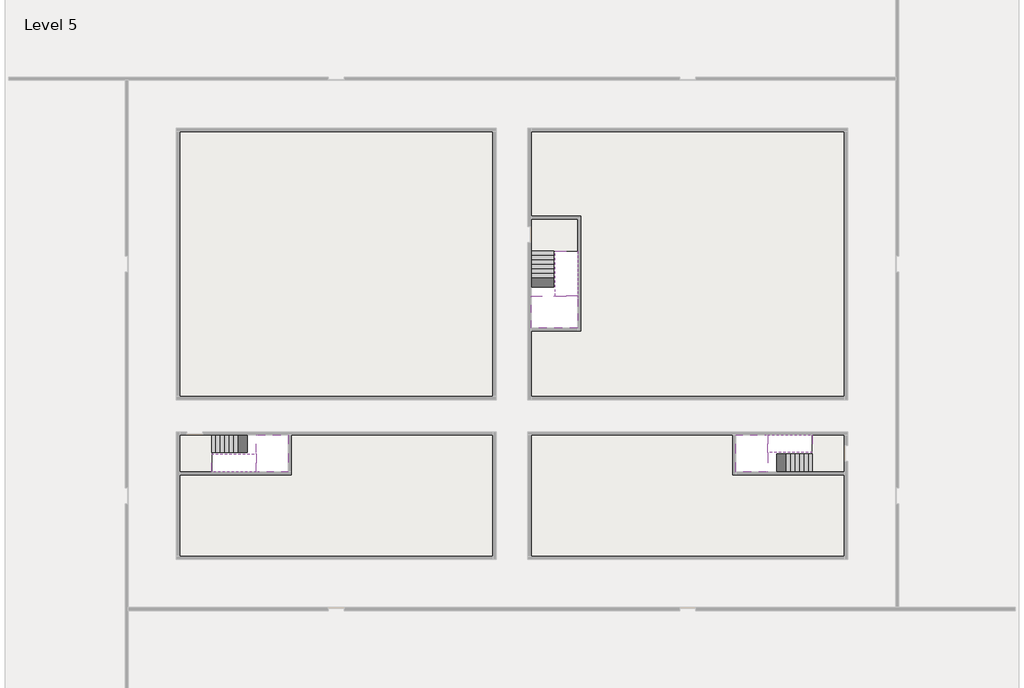
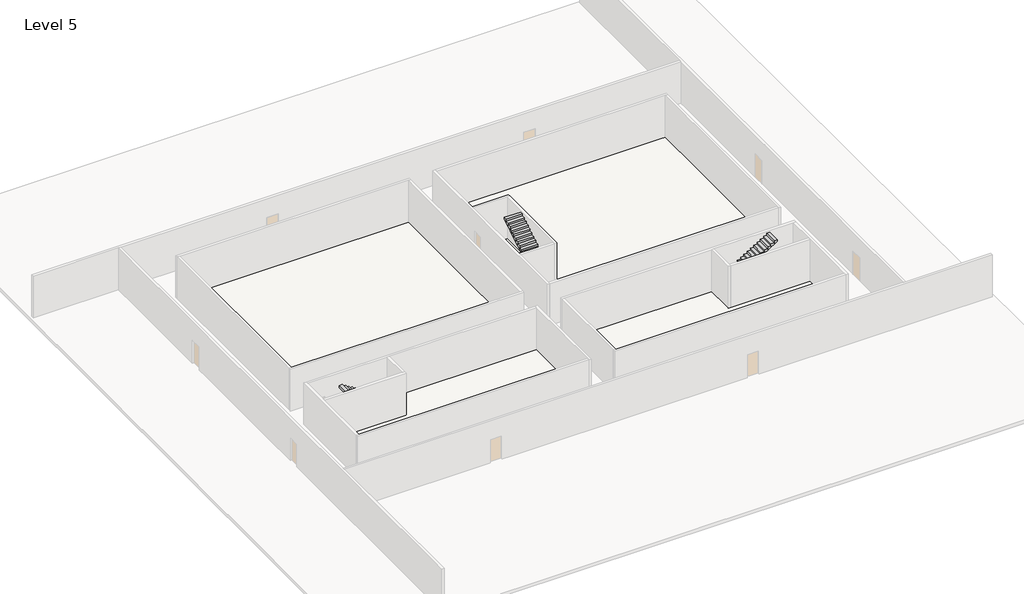
# One storey, part 2 of 2: 6 stair flights, 5 slabs.
"""IFC4 building model written with IfcOpenShell, lengths in millimetres."""

import ifcopenshell
import ifcopenshell.guid

model = None  # the IFC model being written
_history = None  # IfcOwnerHistory: only IFC2X3 demands one
_inside = {}  # id of a spatial element -> (the spatial element, [elements in it])
_under = {}  # id of a project, library or spatial element -> (it, [spatial elements below it])
_declared = {}  # id of a project -> (the project, [libraries it declares])
_typed = {}  # id of a type object -> (the type object, [elements of that type])
_made_of = {}  # id of a material, layer set ... -> (it, [elements and type objects made of it])


def new_model(schema):
    """Start an empty IFC model of exactly this schema.

    Asked for "IFC4X3", IfcOpenShell would pick the latest addendum, in which some entities
    have other attributes; the version numbers below select the first issue.
    IFC2X3 requires an IfcOwnerHistory on every rooted entity: one is made here for all.
    """
    global model, _history
    if schema == "IFC4X3":
        model = ifcopenshell.file(schema_version=(4, 3, 0, 0))
    else:
        model = ifcopenshell.file(schema=schema)
    _inside.clear()
    _under.clear()
    _declared.clear()
    _typed.clear()
    _made_of.clear()
    _history = None
    if model.schema == "IFC2X3":
        org = make("IfcOrganization", Name="unknown")
        user = make(
            "IfcPersonAndOrganization",
            ThePerson=make("IfcPerson", FamilyName="unknown"),
            TheOrganization=org,
        )
        app = make(
            "IfcApplication",
            ApplicationDeveloper=org,
            Version="unknown",
            ApplicationFullName="unknown",
            ApplicationIdentifier="unknown",
        )
        _history = make(
            "IfcOwnerHistory",
            OwningUser=user,
            OwningApplication=app,
            ChangeAction="ADDED",
            CreationDate=0,
        )
    return model


def make(cls, **values):
    """One entity of the class cls with the attributes given. An attribute that is None is left unset."""
    return model.create_entity(
        cls, **{name: value for name, value in values.items() if value is not None}
    )


def rooted(cls, **values):
    """An entity with a GlobalId (a new one), such as an element, a storey or a relation."""
    return make(cls, GlobalId=ifcopenshell.guid.new(), OwnerHistory=_history, **values)


def si_unit(unit_type, name, prefix=None):
    """IfcSIUnit, for example si_unit("LENGTHUNIT", "METRE", prefix="MILLI")."""
    return make("IfcSIUnit", UnitType=unit_type, Prefix=prefix, Name=name)


def assignment(units):
    """IfcUnitAssignment: the units of a project."""
    return None if units is None else make("IfcUnitAssignment", Units=units)


def point(xyz):
    """IfcCartesianPoint."""
    return None if xyz is None else make("IfcCartesianPoint", Coordinates=xyz)


def direction(xyz):
    """IfcDirection."""
    return None if xyz is None else make("IfcDirection", DirectionRatios=xyz)


def frame(location, z_axis=None, x_axis=None):
    """IfcAxis2Placement3D, a coordinate frame: its origin and axes. An axis left out is left unset."""
    return make(
        "IfcAxis2Placement3D",
        Location=point(location),
        Axis=direction(z_axis),
        RefDirection=direction(x_axis),
    )


def origin():
    """The frame at (0, 0, 0) with its axes left unset."""
    return frame((0.0, 0.0, 0.0))


def place(relative_to, where):
    """IfcLocalPlacement: puts the frame where relative to a parent placement (None: the world)."""
    return make(
        "IfcLocalPlacement", PlacementRelTo=relative_to, RelativePlacement=where
    )


def context(
    kind, dimensions, precision=None, world=None, true_north=None, identifier=None
):
    """IfcGeometricRepresentationContext, for example the 3D "Model" context."""
    return make(
        "IfcGeometricRepresentationContext",
        ContextIdentifier=identifier,
        ContextType=kind,
        CoordinateSpaceDimension=dimensions,
        Precision=precision,
        WorldCoordinateSystem=world,
        TrueNorth=true_north,
    )


def project(units=None, contexts=None):
    """IfcProject with its units and contexts."""
    return rooted(
        "IfcProject",
        Name="project",
        RepresentationContexts=contexts,
        UnitsInContext=assignment(units),
    )


def spatial(cls, under=None, at=None, **own):
    """A site, building, storey or space (cls), placed at a placement, below another one or the project."""
    s = rooted(cls, ObjectPlacement=at, **own)
    if under is not None:
        _under.setdefault(under.id(), (under, []))[1].append(s)
    return s


def polyline(points):
    """IfcPolyline through the points."""
    return make("IfcPolyline", Points=[point(p) for p in points])


def outline(outer, holes=None, kind="AREA"):
    """IfcArbitraryClosedProfileDef: a profile drawn as a closed curve; with holes, ...WithVoids."""
    if holes is None:
        return make("IfcArbitraryClosedProfileDef", ProfileType=kind, OuterCurve=outer)
    return make(
        "IfcArbitraryProfileDefWithVoids",
        ProfileType=kind,
        OuterCurve=outer,
        InnerCurves=holes,
    )


def extrude(swept, where, along, depth):
    """IfcExtrudedAreaSolid: the profile swept, set in the frame where, extruded along a direction by depth."""
    return make(
        "IfcExtrudedAreaSolid",
        SweptArea=swept,
        Position=where,
        ExtrudedDirection=direction(along),
        Depth=depth,
    )


def faces_of(points, faces, orient=None, outer=None):
    """IfcFace entities. A face is a list of loops; a loop is a list of indices into points, from 0.

    orient and outer hold one flag for each loop. By default every Orientation is true, the
    first loop of a face is its IfcFaceOuterBound and the others are IfcFaceBound.
    """
    made = []
    for i, loops in enumerate(faces):
        bounds = []
        for j, loop in enumerate(loops):
            is_outer = j == 0 if outer is None else outer[i][j]
            bounds.append(
                make(
                    "IfcFaceOuterBound" if is_outer else "IfcFaceBound",
                    Bound=make("IfcPolyLoop", Polygon=[points[k] for k in loop]),
                    Orientation=True if orient is None else orient[i][j],
                )
            )
        made.append(make("IfcFace", Bounds=bounds))
    return made


def faceted_brep(points, faces, orient=None, outer=None, voids=None):
    """IfcFacetedBrep: a solid bounded by flat faces; with voids (closed shells), ...WithVoids."""
    shared = [point(p) for p in points]
    hull = make("IfcClosedShell", CfsFaces=faces_of(shared, faces, orient, outer))
    if voids is None:
        return make("IfcFacetedBrep", Outer=hull)
    return make(
        "IfcFacetedBrepWithVoids",
        Outer=hull,
        Voids=[
            make(cls, CfsFaces=faces_of(shared, fs, o, b)) for cls, fs, o, b in voids
        ],
    )


def shape(context_of_items, identifier, shape_type, items):
    """IfcShapeRepresentation: the items that make up one representation, for example the "Body"."""
    return make(
        "IfcShapeRepresentation",
        ContextOfItems=context_of_items,
        RepresentationIdentifier=identifier,
        RepresentationType=shape_type,
        Items=items,
    )


def made_of(thing, what):
    """Note that an element or type object is made of a material, layer set ...; save() writes the relation."""
    if what is not None:
        _made_of.setdefault(what.id(), (what, []))[1].append(thing)
    return thing


def element(
    cls,
    number,
    at=None,
    inside=None,
    cuts=None,
    type_object=None,
    material=None,
    context=None,
    identifier="Body",
    shape_type=None,
    held_by="IfcProductDefinitionShape",
    body=None,
    shapes=None,
    **own,
):
    """One element of the class cls, such as IfcWall. Its Tag is "e" and its number.

    at: its placement. inside: the storey or other place that contains it. cuts: it is an
    opening in that element (IfcRelVoidsElement). A single representation is given by context,
    identifier, shape_type and body (its items); several are given by shapes. held_by: the class
    of the entity that holds the representations. save() writes the other relations.
    """
    e = rooted(cls, Tag="e%d" % number, ObjectPlacement=at, **own)
    if body is not None:
        shapes = [shape(context, identifier, shape_type, body)]
    if shapes is not None:
        e.Representation = make(held_by, Representations=shapes)
    if inside is not None:
        _inside.setdefault(inside.id(), (inside, []))[1].append(e)
    if cuts is not None:
        rooted(
            "IfcRelVoidsElement", RelatingBuildingElement=cuts, RelatedOpeningElement=e
        )
    if type_object is not None:
        _typed.setdefault(type_object.id(), (type_object, []))[1].append(e)
    return made_of(e, material)


def aggregate(whole, parts):
    """IfcRelAggregates: a whole, such as a stair, and the parts it consists of."""
    return rooted("IfcRelAggregates", RelatingObject=whole, RelatedObjects=parts)


def save(model, path):
    """Write the relations noted so far, then the file.

    IfcRelAggregates (storeys below a building ...), IfcRelContainedInSpatialStructure (elements
    in a storey), IfcRelDefinesByType, IfcRelAssociatesMaterial and IfcRelDeclares: one each for
    every whole, place, type object, material and project.
    """
    for whole, parts in _under.values():
        aggregate(whole, parts)
    for where, things in _inside.values():
        rooted(
            "IfcRelContainedInSpatialStructure",
            RelatedElements=things,
            RelatingStructure=where,
        )
    for kind, things in _typed.values():
        rooted("IfcRelDefinesByType", RelatedObjects=things, RelatingType=kind)
    for what, things in _made_of.values():
        rooted("IfcRelAssociatesMaterial", RelatedObjects=things, RelatingMaterial=what)
    for by, libraries in _declared.values():
        rooted("IfcRelDeclares", RelatingContext=by, RelatedDefinitions=libraries)
    model.write(path)


model = new_model("IFC4")

# Units and contexts
model_context = context("Model", 3, world=origin())
ifc_project = project(units=[si_unit("LENGTHUNIT", "METRE", prefix="MILLI")], contexts=[model_context])

# Site, building, storey
site = spatial("IfcSite", under=ifc_project)
building = spatial("IfcBuilding", under=site)
storey = spatial("IfcBuildingStorey", under=building, Name="Level 5", Elevation=15200.0)

# Slabs
placement = place(None, origin())
element("IfcSlab", 1, at=placement, inside=storey, context=model_context, shape_type="Brep", body=[
    faceted_brep([(8190.1058784, -42918.09644, 17100.0), (8190.1058784, -44018.09644, 17100.0), (8190.1058784, -44118.09644, 17100.0), (8190.1058784, -45218.09644, 17100.0), (8390.7194421, -45218.09644, 17100.0), (10190.1058784, -45218.09644, 17100.0), (10190.1058784, -42918.09644, 17100.0), (8269.4923146, -42918.09644, 17100.0), (8190.1058784, -42918.09644, 16927.2727273), (8190.1058784, -42918.09644, 16751.0278478), (8190.1058784, -44018.09644, 16751.0278478), (8190.1058784, -44018.09644, 16800.0), (8190.1058784, -44118.09644, 16800.0), (8190.1058784, -44118.09644, 16923.7551205), (8190.1058784, -45218.09644, 16923.7551205), (8390.7194421, -45218.09644, 16800.0), (10190.1058784, -45218.09644, 16800.0), (10190.1058784, -42918.09644, 16800.0), (8269.4923146, -42918.09644, 16800.0), (8390.7194421, -44118.09644, 16800.0), (8269.4923146, -44018.09644, 16800.0)], [[[0, 1, 2, 3, 4, 5, 6, 7]], [[1, 0, 8, 9, 10, 11]], [[2, 1, 11, 12, 13]], [[3, 2, 13, 14]], [[3, 14, 15, 16, 5, 4]], [[6, 5, 16, 17]], [[9, 8, 0, 7, 6, 17, 18]], [[19, 12, 11, 20, 18, 17, 16, 15]], [[12, 19, 13]], [[18, 20, 10, 9]], [[20, 11, 10]], [[19, 15, 14, 13]]]),
])
element("IfcSlab", 2, at=placement, inside=storey, context=model_context, shape_type="Brep", body=[
    faceted_brep([(40190.1058784, -45218.09644, 17100.0), (40190.1058784, -44118.09644, 17100.0), (40190.1058784, -44018.09644, 17100.0), (40190.1058784, -42918.09644, 17100.0), (39989.4923146, -42918.09644, 17100.0), (38190.1058784, -42918.09644, 17100.0), (38190.1058784, -45218.09644, 17100.0), (40110.7194421, -45218.09644, 17100.0), (40190.1058784, -45218.09644, 16927.2727273), (40190.1058784, -45218.09644, 16751.0278478), (40190.1058784, -44118.09644, 16751.0278478), (40190.1058784, -44118.09644, 16800.0), (40190.1058784, -44018.09644, 16800.0), (40190.1058784, -44018.09644, 16923.7551205), (40190.1058784, -42918.09644, 16923.7551205), (39989.4923146, -42918.09644, 16800.0), (38190.1058784, -42918.09644, 16800.0), (38190.1058784, -45218.09644, 16800.0), (40110.7194421, -45218.09644, 16800.0), (39989.4923146, -44018.09644, 16800.0), (40110.7194421, -44118.09644, 16800.0)], [[[0, 1, 2, 3, 4, 5, 6, 7]], [[1, 0, 8, 9, 10, 11]], [[2, 1, 11, 12, 13]], [[3, 2, 13, 14]], [[3, 14, 15, 16, 5, 4]], [[6, 5, 16, 17]], [[9, 8, 0, 7, 6, 17, 18]], [[19, 12, 11, 20, 18, 17, 16, 15]], [[12, 19, 13]], [[18, 20, 10, 9]], [[20, 11, 10]], [[19, 15, 14, 13]]]),
])
element("IfcSlab", 3, at=placement, inside=storey, context=model_context, shape_type="Brep", body=[
    faceted_brep([(26790.1058784, -34218.09644, 17100.0), (25390.1058784, -34218.09644, 17100.0), (25390.1058784, -34297.4828763, 17100.0), (25390.1058784, -36218.09644, 17100.0), (28290.1058784, -36218.09644, 17100.0), (28290.1058784, -34418.7100038, 17100.0), (28290.1058784, -34218.09644, 17100.0), (26890.1058784, -34218.09644, 17100.0), (26790.1058784, -34218.09644, 16800.0), (26790.1058784, -34218.09644, 16751.0278478), (25390.1058784, -34218.09644, 16751.0278478), (25390.1058784, -34218.09644, 16927.2727273), (25390.1058784, -34297.4828763, 16800.0), (25390.1058784, -36218.09644, 16800.0), (28290.1058784, -36218.09644, 16800.0), (28290.1058784, -34418.7100038, 16800.0), (28290.1058784, -34218.09644, 16923.7551205), (26890.1058784, -34218.09644, 16923.7551205), (26890.1058784, -34218.09644, 16800.0), (26890.1058784, -34418.7100038, 16800.0), (26790.1058784, -34297.4828763, 16800.0)], [[[0, 1, 2, 3, 4, 5, 6, 7]], [[1, 0, 8, 9, 10, 11]], [[1, 11, 10, 12, 13, 3, 2]], [[4, 3, 13, 14]], [[4, 14, 15, 16, 6, 5]], [[7, 6, 16, 17]], [[0, 7, 17, 18, 8]], [[18, 19, 15, 14, 13, 12, 20, 8]], [[19, 18, 17]], [[20, 12, 10, 9]], [[8, 20, 9]], [[15, 19, 17, 16]]]),
])
element("IfcSlab", 4, at=placement, inside=storey, context=model_context, shape_type="SweptSolid", body=[
    extrude(outline(polyline([(22990.1058784, -23918.09644), (22990.1058784, -40518.09644), (3390.1058784, -40518.09644), (3390.1058784, -23918.09644), (22990.1058784, -23918.09644)])), frame((0.0, 0.0, 14900.0), z_axis=(0.0, 0.0, 1.0), x_axis=(1.0, 0.0, 0.0)), (0.0, 0.0, 1.0), 300.0),
    extrude(outline(polyline([(44990.1058784, -23918.09644), (44990.1058784, -40518.09644), (25390.1058784, -40518.09644), (25390.1058784, -36418.09644), (28490.1058784, -36418.09644), (28490.1058784, -29218.09644), (25390.1058784, -29218.09644), (25390.1058784, -23918.09644), (44990.1058784, -23918.09644)])), frame((0.0, 0.0, 14900.0), z_axis=(0.0, 0.0, 1.0), x_axis=(1.0, 0.0, 0.0)), (0.0, 0.0, 1.0), 300.0),
    extrude(outline(polyline([(22990.1058784, -42918.09644), (22990.1058784, -50518.09644), (3390.1058784, -50518.09644), (3390.1058784, -45418.09644), (10390.1058784, -45418.09644), (10390.1058784, -42918.09644), (22990.1058784, -42918.09644)])), frame((0.0, 0.0, 14900.0), z_axis=(0.0, 0.0, 1.0), x_axis=(1.0, 0.0, 0.0)), (0.0, 0.0, 1.0), 300.0),
    extrude(outline(polyline([(37990.1058784, -42918.09644), (37990.1058784, -45418.09644), (44990.1058784, -45418.09644), (44990.1058784, -50518.09644), (25390.1058784, -50518.09644), (25390.1058784, -42918.09644), (37990.1058784, -42918.09644)])), frame((0.0, 0.0, 14900.0), z_axis=(0.0, 0.0, 1.0), x_axis=(1.0, 0.0, 0.0)), (0.0, 0.0, 1.0), 300.0),
])
element("IfcSlab", 5, at=placement, inside=storey, context=model_context, shape_type="SweptSolid", body=[
    extrude(outline(polyline([(44990.1058784, -42918.09644), (44990.1058784, -45218.09644), (42990.1058784, -45218.09644), (42990.1058784, -42918.09644), (44990.1058784, -42918.09644)])), frame((0.0, 0.0, 14900.0), z_axis=(0.0, 0.0, 1.0), x_axis=(1.0, 0.0, 0.0)), (0.0, 0.0, 1.0), 300.0),
    extrude(outline(polyline([(5390.1058784, -42918.09644), (5390.1058784, -45218.09644), (3390.1058784, -45218.09644), (3390.1058784, -42918.09644), (5390.1058784, -42918.09644)])), frame((0.0, 0.0, 14900.0), z_axis=(0.0, 0.0, 1.0), x_axis=(1.0, 0.0, 0.0)), (0.0, 0.0, 1.0), 300.0),
    extrude(outline(polyline([(28290.1058784, -29418.09644), (28290.1058784, -31418.09644), (25390.1058784, -31418.09644), (25390.1058784, -29418.09644), (28290.1058784, -29418.09644)])), frame((0.0, 0.0, 14900.0), z_axis=(0.0, 0.0, 1.0), x_axis=(1.0, 0.0, 0.0)), (0.0, 0.0, 1.0), 300.0),
])

# Stair flights
element("IfcStairFlight", 6, at=placement, inside=storey, context=model_context, shape_type="Brep", body=[
    faceted_brep([(5670.1058784, -42918.09644, 15372.7272727), (5390.1058784, -42918.09644, 15372.7272727), (5390.1058784, -44018.09644, 15372.7272727), (5670.1058784, -44018.09644, 15372.7272727), (5670.1058784, -42918.09644, 15200.0), (5390.1058784, -42918.09644, 15200.0), (5390.1058784, -44018.09644, 15200.0), (5670.1058784, -44018.09644, 15200.0), (5950.1058784, -42918.09644, 15545.4545455), (5670.1058784, -42918.09644, 15545.4545455), (5670.1058784, -44018.09644, 15545.4545455), (5950.1058784, -44018.09644, 15545.4545455), (5950.1058784, -42918.09644, 15369.209666), (5675.8081041, -42918.09644, 15200.0), (5675.8081041, -44018.09644, 15200.0), (5950.1058784, -44018.09644, 15369.209666), (6230.1058784, -42918.09644, 15718.1818182), (5950.1058784, -42918.09644, 15718.1818182), (5950.1058784, -44018.09644, 15718.1818182), (6230.1058784, -44018.09644, 15718.1818182), (6230.1058784, -42918.09644, 15541.9369387), (6230.1058784, -44018.09644, 15541.9369387), (6510.1058784, -42918.09644, 15890.9090909), (6230.1058784, -42918.09644, 15890.9090909), (6230.1058784, -44018.09644, 15890.9090909), (6510.1058784, -44018.09644, 15890.9090909), (6510.1058784, -42918.09644, 15714.6642114), (6510.1058784, -44018.09644, 15714.6642114), (6790.1058784, -42918.09644, 16063.6363636), (6510.1058784, -42918.09644, 16063.6363636), (6510.1058784, -44018.09644, 16063.6363636), (6790.1058784, -44018.09644, 16063.6363636), (6790.1058784, -42918.09644, 15887.3914841), (6790.1058784, -44018.09644, 15887.3914841), (7070.1058784, -42918.09644, 16236.3636364), (6790.1058784, -42918.09644, 16236.3636364), (6790.1058784, -44018.09644, 16236.3636364), (7070.1058784, -44018.09644, 16236.3636364), (7070.1058784, -42918.09644, 16060.1187569), (7070.1058784, -44018.09644, 16060.1187569), (7350.1058784, -42918.09644, 16409.0909091), (7070.1058784, -42918.09644, 16409.0909091), (7070.1058784, -44018.09644, 16409.0909091), (7350.1058784, -44018.09644, 16409.0909091), (7350.1058784, -42918.09644, 16232.8460296), (7350.1058784, -44018.09644, 16232.8460296), (7630.1058784, -42918.09644, 16581.8181818), (7350.1058784, -42918.09644, 16581.8181818), (7350.1058784, -44018.09644, 16581.8181818), (7630.1058784, -44018.09644, 16581.8181818), (7630.1058784, -42918.09644, 16405.5733023), (7630.1058784, -44018.09644, 16405.5733023), (7910.1058784, -42918.09644, 16754.5454545), (7630.1058784, -42918.09644, 16754.5454545), (7630.1058784, -44018.09644, 16754.5454545), (7910.1058784, -44018.09644, 16754.5454545), (7910.1058784, -42918.09644, 16578.3005751), (7910.1058784, -44018.09644, 16578.3005751), (8190.1058784, -42918.09644, 16927.2727273), (7910.1058784, -42918.09644, 16927.2727273), (7910.1058784, -44018.09644, 16927.2727273), (8190.1058784, -44018.09644, 16927.2727273), (8190.1058784, -42918.09644, 16751.0278478), (8190.1058784, -44018.09644, 16751.0278478), (8190.1058784, -44018.09644, 16800.0)], [[[0, 1, 2, 3]], [[1, 0, 4, 5]], [[2, 1, 5, 6]], [[3, 2, 6, 7]], [[8, 9, 10, 11]], [[4, 0, 9, 8, 12, 13]], [[0, 3, 10, 9]], [[3, 7, 14, 15, 11, 10]], [[16, 17, 18, 19]], [[17, 16, 20, 12, 8]], [[8, 11, 18, 17]], [[19, 18, 11, 15, 21]], [[22, 23, 24, 25]], [[23, 22, 26, 20, 16]], [[16, 19, 24, 23]], [[25, 24, 19, 21, 27]], [[28, 29, 30, 31]], [[29, 28, 32, 26, 22]], [[22, 25, 30, 29]], [[31, 30, 25, 27, 33]], [[34, 35, 36, 37]], [[35, 34, 38, 32, 28]], [[28, 31, 36, 35]], [[37, 36, 31, 33, 39]], [[40, 41, 42, 43]], [[41, 40, 44, 38, 34]], [[34, 37, 42, 41]], [[43, 42, 37, 39, 45]], [[46, 47, 48, 49]], [[47, 46, 50, 44, 40]], [[40, 43, 48, 47]], [[49, 48, 43, 45, 51]], [[52, 53, 54, 55]], [[53, 52, 56, 50, 46]], [[46, 49, 54, 53]], [[55, 54, 49, 51, 57]], [[58, 59, 60, 61]], [[59, 58, 62, 56, 52]], [[52, 55, 60, 59]], [[61, 60, 55, 57, 63, 64]], [[58, 61, 64, 63, 62]], [[5, 4, 13, 14, 7, 6]], [[14, 13, 12, 20, 26, 32, 38, 44, 50, 56, 62, 63, 57, 51, 45, 39, 33, 27, 21, 15]]]),
])
element("IfcStairFlight", 7, at=placement, inside=storey, context=model_context, shape_type="Brep", body=[
    faceted_brep([(7910.1058784, -45218.09644, 17272.7272727), (8190.1058784, -45218.09644, 17272.7272727), (8190.1058784, -44118.09644, 17272.7272727), (7910.1058784, -44118.09644, 17272.7272727), (7910.1058784, -45218.09644, 17096.4823932), (8190.1058784, -45218.09644, 16923.7551205), (8190.1058784, -45218.09644, 17100.0), (8190.1058784, -44118.09644, 16923.7551205), (7910.1058784, -44118.09644, 17096.4823932), (7630.1058784, -45218.09644, 17445.4545455), (7910.1058784, -45218.09644, 17445.4545455), (7910.1058784, -44118.09644, 17445.4545455), (7630.1058784, -44118.09644, 17445.4545455), (7630.1058784, -45218.09644, 17269.209666), (7630.1058784, -44118.09644, 17269.209666), (7350.1058784, -45218.09644, 17618.1818182), (7630.1058784, -45218.09644, 17618.1818182), (7630.1058784, -44118.09644, 17618.1818182), (7350.1058784, -44118.09644, 17618.1818182), (7350.1058784, -45218.09644, 17441.9369387), (7350.1058784, -44118.09644, 17441.9369387), (7070.1058784, -45218.09644, 17790.9090909), (7350.1058784, -45218.09644, 17790.9090909), (7350.1058784, -44118.09644, 17790.9090909), (7070.1058784, -44118.09644, 17790.9090909), (7070.1058784, -45218.09644, 17614.6642114), (7070.1058784, -44118.09644, 17614.6642114), (6790.1058784, -45218.09644, 17963.6363636), (7070.1058784, -45218.09644, 17963.6363636), (7070.1058784, -44118.09644, 17963.6363636), (6790.1058784, -44118.09644, 17963.6363636), (6790.1058784, -45218.09644, 17787.3914841), (6790.1058784, -44118.09644, 17787.3914841), (6510.1058784, -45218.09644, 18136.3636364), (6790.1058784, -45218.09644, 18136.3636364), (6790.1058784, -44118.09644, 18136.3636364), (6510.1058784, -44118.09644, 18136.3636364), (6510.1058784, -45218.09644, 17960.1187569), (6510.1058784, -44118.09644, 17960.1187569), (6230.1058784, -45218.09644, 18309.0909091), (6510.1058784, -45218.09644, 18309.0909091), (6510.1058784, -44118.09644, 18309.0909091), (6230.1058784, -44118.09644, 18309.0909091), (6230.1058784, -45218.09644, 18132.8460296), (6230.1058784, -44118.09644, 18132.8460296), (5950.1058784, -45218.09644, 18481.8181818), (6230.1058784, -45218.09644, 18481.8181818), (6230.1058784, -44118.09644, 18481.8181818), (5950.1058784, -44118.09644, 18481.8181818), (5950.1058784, -45218.09644, 18305.5733023), (5950.1058784, -44118.09644, 18305.5733023), (5670.1058784, -45218.09644, 18654.5454545), (5950.1058784, -45218.09644, 18654.5454545), (5950.1058784, -44118.09644, 18654.5454545), (5670.1058784, -44118.09644, 18654.5454545), (5670.1058784, -45218.09644, 18478.3005751), (5670.1058784, -44118.09644, 18478.3005751), (5390.1058784, -45218.09644, 18827.2727273), (5670.1058784, -45218.09644, 18827.2727273), (5670.1058784, -44118.09644, 18827.2727273), (5390.1058784, -44118.09644, 18827.2727273), (5390.1058784, -45218.09644, 18651.0278478), (5390.1058784, -44118.09644, 18651.0278478)], [[[0, 1, 2, 3]], [[1, 0, 4, 5, 6]], [[2, 1, 6, 5, 7]], [[3, 2, 7, 8]], [[9, 10, 11, 12]], [[10, 9, 13, 4, 0]], [[11, 10, 0, 3]], [[12, 11, 3, 8, 14]], [[15, 16, 17, 18]], [[16, 15, 19, 13, 9]], [[17, 16, 9, 12]], [[18, 17, 12, 14, 20]], [[21, 22, 23, 24]], [[22, 21, 25, 19, 15]], [[23, 22, 15, 18]], [[24, 23, 18, 20, 26]], [[27, 28, 29, 30]], [[28, 27, 31, 25, 21]], [[29, 28, 21, 24]], [[30, 29, 24, 26, 32]], [[33, 34, 35, 36]], [[34, 33, 37, 31, 27]], [[35, 34, 27, 30]], [[36, 35, 30, 32, 38]], [[39, 40, 41, 42]], [[40, 39, 43, 37, 33]], [[41, 40, 33, 36]], [[42, 41, 36, 38, 44]], [[45, 46, 47, 48]], [[46, 45, 49, 43, 39]], [[47, 46, 39, 42]], [[48, 47, 42, 44, 50]], [[51, 52, 53, 54]], [[52, 51, 55, 49, 45]], [[53, 52, 45, 48]], [[54, 53, 48, 50, 56]], [[57, 58, 59, 60]], [[58, 57, 61, 55, 51]], [[59, 58, 51, 54]], [[60, 59, 54, 56, 62]], [[57, 60, 62, 61]], [[5, 4, 13, 19, 25, 31, 37, 43, 49, 55, 61, 62, 56, 50, 44, 38, 32, 26, 20, 14, 8, 7]]]),
])
element("IfcStairFlight", 8, at=placement, inside=storey, context=model_context, shape_type="Brep", body=[
    faceted_brep([(42710.1058784, -45218.09644, 15372.7272727), (42990.1058784, -45218.09644, 15372.7272727), (42990.1058784, -44118.09644, 15372.7272727), (42710.1058784, -44118.09644, 15372.7272727), (42710.1058784, -45218.09644, 15200.0), (42990.1058784, -45218.09644, 15200.0), (42990.1058784, -44118.09644, 15200.0), (42710.1058784, -44118.09644, 15200.0), (42430.1058784, -45218.09644, 15545.4545455), (42710.1058784, -45218.09644, 15545.4545455), (42710.1058784, -44118.09644, 15545.4545455), (42430.1058784, -44118.09644, 15545.4545455), (42430.1058784, -45218.09644, 15369.209666), (42704.4036527, -45218.09644, 15200.0), (42704.4036527, -44118.09644, 15200.0), (42430.1058784, -44118.09644, 15369.209666), (42150.1058784, -45218.09644, 15718.1818182), (42430.1058784, -45218.09644, 15718.1818182), (42430.1058784, -44118.09644, 15718.1818182), (42150.1058784, -44118.09644, 15718.1818182), (42150.1058784, -45218.09644, 15541.9369387), (42150.1058784, -44118.09644, 15541.9369387), (41870.1058784, -45218.09644, 15890.9090909), (42150.1058784, -45218.09644, 15890.9090909), (42150.1058784, -44118.09644, 15890.9090909), (41870.1058784, -44118.09644, 15890.9090909), (41870.1058784, -45218.09644, 15714.6642114), (41870.1058784, -44118.09644, 15714.6642114), (41590.1058784, -45218.09644, 16063.6363636), (41870.1058784, -45218.09644, 16063.6363636), (41870.1058784, -44118.09644, 16063.6363636), (41590.1058784, -44118.09644, 16063.6363636), (41590.1058784, -45218.09644, 15887.3914841), (41590.1058784, -44118.09644, 15887.3914841), (41310.1058784, -45218.09644, 16236.3636364), (41590.1058784, -45218.09644, 16236.3636364), (41590.1058784, -44118.09644, 16236.3636364), (41310.1058784, -44118.09644, 16236.3636364), (41310.1058784, -45218.09644, 16060.1187569), (41310.1058784, -44118.09644, 16060.1187569), (41030.1058784, -45218.09644, 16409.0909091), (41310.1058784, -45218.09644, 16409.0909091), (41310.1058784, -44118.09644, 16409.0909091), (41030.1058784, -44118.09644, 16409.0909091), (41030.1058784, -45218.09644, 16232.8460296), (41030.1058784, -44118.09644, 16232.8460296), (40750.1058784, -45218.09644, 16581.8181818), (41030.1058784, -45218.09644, 16581.8181818), (41030.1058784, -44118.09644, 16581.8181818), (40750.1058784, -44118.09644, 16581.8181818), (40750.1058784, -45218.09644, 16405.5733023), (40750.1058784, -44118.09644, 16405.5733023), (40470.1058784, -45218.09644, 16754.5454545), (40750.1058784, -45218.09644, 16754.5454545), (40750.1058784, -44118.09644, 16754.5454545), (40470.1058784, -44118.09644, 16754.5454545), (40470.1058784, -45218.09644, 16578.3005751), (40470.1058784, -44118.09644, 16578.3005751), (40190.1058784, -45218.09644, 16927.2727273), (40470.1058784, -45218.09644, 16927.2727273), (40470.1058784, -44118.09644, 16927.2727273), (40190.1058784, -44118.09644, 16927.2727273), (40190.1058784, -45218.09644, 16751.0278478), (40190.1058784, -44118.09644, 16751.0278478), (40190.1058784, -44118.09644, 16800.0)], [[[0, 1, 2, 3]], [[1, 0, 4, 5]], [[2, 1, 5, 6]], [[3, 2, 6, 7]], [[8, 9, 10, 11]], [[4, 0, 9, 8, 12, 13]], [[0, 3, 10, 9]], [[3, 7, 14, 15, 11, 10]], [[16, 17, 18, 19]], [[17, 16, 20, 12, 8]], [[8, 11, 18, 17]], [[19, 18, 11, 15, 21]], [[22, 23, 24, 25]], [[23, 22, 26, 20, 16]], [[16, 19, 24, 23]], [[25, 24, 19, 21, 27]], [[28, 29, 30, 31]], [[29, 28, 32, 26, 22]], [[22, 25, 30, 29]], [[31, 30, 25, 27, 33]], [[34, 35, 36, 37]], [[35, 34, 38, 32, 28]], [[28, 31, 36, 35]], [[37, 36, 31, 33, 39]], [[40, 41, 42, 43]], [[41, 40, 44, 38, 34]], [[34, 37, 42, 41]], [[43, 42, 37, 39, 45]], [[46, 47, 48, 49]], [[47, 46, 50, 44, 40]], [[40, 43, 48, 47]], [[49, 48, 43, 45, 51]], [[52, 53, 54, 55]], [[53, 52, 56, 50, 46]], [[46, 49, 54, 53]], [[55, 54, 49, 51, 57]], [[58, 59, 60, 61]], [[59, 58, 62, 56, 52]], [[52, 55, 60, 59]], [[61, 60, 55, 57, 63, 64]], [[58, 61, 64, 63, 62]], [[5, 4, 13, 14, 7, 6]], [[14, 13, 12, 20, 26, 32, 38, 44, 50, 56, 62, 63, 57, 51, 45, 39, 33, 27, 21, 15]]]),
])
element("IfcStairFlight", 9, at=placement, inside=storey, context=model_context, shape_type="Brep", body=[
    faceted_brep([(40470.1058784, -42918.09644, 17272.7272727), (40190.1058784, -42918.09644, 17272.7272727), (40190.1058784, -44018.09644, 17272.7272727), (40470.1058784, -44018.09644, 17272.7272727), (40470.1058784, -42918.09644, 17096.4823932), (40190.1058784, -42918.09644, 16923.7551205), (40190.1058784, -42918.09644, 17100.0), (40190.1058784, -44018.09644, 16923.7551205), (40470.1058784, -44018.09644, 17096.4823932), (40750.1058784, -42918.09644, 17445.4545455), (40470.1058784, -42918.09644, 17445.4545455), (40470.1058784, -44018.09644, 17445.4545455), (40750.1058784, -44018.09644, 17445.4545455), (40750.1058784, -42918.09644, 17269.209666), (40750.1058784, -44018.09644, 17269.209666), (41030.1058784, -42918.09644, 17618.1818182), (40750.1058784, -42918.09644, 17618.1818182), (40750.1058784, -44018.09644, 17618.1818182), (41030.1058784, -44018.09644, 17618.1818182), (41030.1058784, -42918.09644, 17441.9369387), (41030.1058784, -44018.09644, 17441.9369387), (41310.1058784, -42918.09644, 17790.9090909), (41030.1058784, -42918.09644, 17790.9090909), (41030.1058784, -44018.09644, 17790.9090909), (41310.1058784, -44018.09644, 17790.9090909), (41310.1058784, -42918.09644, 17614.6642114), (41310.1058784, -44018.09644, 17614.6642114), (41590.1058784, -42918.09644, 17963.6363636), (41310.1058784, -42918.09644, 17963.6363636), (41310.1058784, -44018.09644, 17963.6363636), (41590.1058784, -44018.09644, 17963.6363636), (41590.1058784, -42918.09644, 17787.3914841), (41590.1058784, -44018.09644, 17787.3914841), (41870.1058784, -42918.09644, 18136.3636364), (41590.1058784, -42918.09644, 18136.3636364), (41590.1058784, -44018.09644, 18136.3636364), (41870.1058784, -44018.09644, 18136.3636364), (41870.1058784, -42918.09644, 17960.1187569), (41870.1058784, -44018.09644, 17960.1187569), (42150.1058784, -42918.09644, 18309.0909091), (41870.1058784, -42918.09644, 18309.0909091), (41870.1058784, -44018.09644, 18309.0909091), (42150.1058784, -44018.09644, 18309.0909091), (42150.1058784, -42918.09644, 18132.8460296), (42150.1058784, -44018.09644, 18132.8460296), (42430.1058784, -42918.09644, 18481.8181818), (42150.1058784, -42918.09644, 18481.8181818), (42150.1058784, -44018.09644, 18481.8181818), (42430.1058784, -44018.09644, 18481.8181818), (42430.1058784, -42918.09644, 18305.5733023), (42430.1058784, -44018.09644, 18305.5733023), (42710.1058784, -42918.09644, 18654.5454545), (42430.1058784, -42918.09644, 18654.5454545), (42430.1058784, -44018.09644, 18654.5454545), (42710.1058784, -44018.09644, 18654.5454545), (42710.1058784, -42918.09644, 18478.3005751), (42710.1058784, -44018.09644, 18478.3005751), (42990.1058784, -42918.09644, 18827.2727273), (42710.1058784, -42918.09644, 18827.2727273), (42710.1058784, -44018.09644, 18827.2727273), (42990.1058784, -44018.09644, 18827.2727273), (42990.1058784, -42918.09644, 18651.0278478), (42990.1058784, -44018.09644, 18651.0278478)], [[[0, 1, 2, 3]], [[1, 0, 4, 5, 6]], [[2, 1, 6, 5, 7]], [[3, 2, 7, 8]], [[9, 10, 11, 12]], [[10, 9, 13, 4, 0]], [[11, 10, 0, 3]], [[12, 11, 3, 8, 14]], [[15, 16, 17, 18]], [[16, 15, 19, 13, 9]], [[17, 16, 9, 12]], [[18, 17, 12, 14, 20]], [[21, 22, 23, 24]], [[22, 21, 25, 19, 15]], [[23, 22, 15, 18]], [[24, 23, 18, 20, 26]], [[27, 28, 29, 30]], [[28, 27, 31, 25, 21]], [[29, 28, 21, 24]], [[30, 29, 24, 26, 32]], [[33, 34, 35, 36]], [[34, 33, 37, 31, 27]], [[35, 34, 27, 30]], [[36, 35, 30, 32, 38]], [[39, 40, 41, 42]], [[40, 39, 43, 37, 33]], [[41, 40, 33, 36]], [[42, 41, 36, 38, 44]], [[45, 46, 47, 48]], [[46, 45, 49, 43, 39]], [[47, 46, 39, 42]], [[48, 47, 42, 44, 50]], [[51, 52, 53, 54]], [[52, 51, 55, 49, 45]], [[53, 52, 45, 48]], [[54, 53, 48, 50, 56]], [[57, 58, 59, 60]], [[58, 57, 61, 55, 51]], [[59, 58, 51, 54]], [[60, 59, 54, 56, 62]], [[57, 60, 62, 61]], [[5, 4, 13, 19, 25, 31, 37, 43, 49, 55, 61, 62, 56, 50, 44, 38, 32, 26, 20, 14, 8, 7]]]),
])
element("IfcStairFlight", 10, at=placement, inside=storey, context=model_context, shape_type="Brep", body=[
    faceted_brep([(26790.1058784, -31698.09644, 15372.7272727), (26790.1058784, -31418.09644, 15372.7272727), (25390.1058784, -31418.09644, 15372.7272727), (25390.1058784, -31698.09644, 15372.7272727), (26790.1058784, -31698.09644, 15200.0), (26790.1058784, -31418.09644, 15200.0), (25390.1058784, -31418.09644, 15200.0), (25390.1058784, -31698.09644, 15200.0), (26790.1058784, -31978.09644, 15545.4545455), (26790.1058784, -31698.09644, 15545.4545455), (25390.1058784, -31698.09644, 15545.4545455), (25390.1058784, -31978.09644, 15545.4545455), (26790.1058784, -31978.09644, 15369.209666), (26790.1058784, -31703.7986657, 15200.0), (25390.1058784, -31703.7986657, 15200.0), (25390.1058784, -31978.09644, 15369.209666), (26790.1058784, -32258.09644, 15718.1818182), (26790.1058784, -31978.09644, 15718.1818182), (25390.1058784, -31978.09644, 15718.1818182), (25390.1058784, -32258.09644, 15718.1818182), (26790.1058784, -32258.09644, 15541.9369387), (25390.1058784, -32258.09644, 15541.9369387), (26790.1058784, -32538.09644, 15890.9090909), (26790.1058784, -32258.09644, 15890.9090909), (25390.1058784, -32258.09644, 15890.9090909), (25390.1058784, -32538.09644, 15890.9090909), (26790.1058784, -32538.09644, 15714.6642114), (25390.1058784, -32538.09644, 15714.6642114), (26790.1058784, -32818.09644, 16063.6363636), (26790.1058784, -32538.09644, 16063.6363636), (25390.1058784, -32538.09644, 16063.6363636), (25390.1058784, -32818.09644, 16063.6363636), (26790.1058784, -32818.09644, 15887.3914841), (25390.1058784, -32818.09644, 15887.3914841), (26790.1058784, -33098.09644, 16236.3636364), (26790.1058784, -32818.09644, 16236.3636364), (25390.1058784, -32818.09644, 16236.3636364), (25390.1058784, -33098.09644, 16236.3636364), (26790.1058784, -33098.09644, 16060.1187569), (25390.1058784, -33098.09644, 16060.1187569), (26790.1058784, -33378.09644, 16409.0909091), (26790.1058784, -33098.09644, 16409.0909091), (25390.1058784, -33098.09644, 16409.0909091), (25390.1058784, -33378.09644, 16409.0909091), (26790.1058784, -33378.09644, 16232.8460296), (25390.1058784, -33378.09644, 16232.8460296), (26790.1058784, -33658.09644, 16581.8181818), (26790.1058784, -33378.09644, 16581.8181818), (25390.1058784, -33378.09644, 16581.8181818), (25390.1058784, -33658.09644, 16581.8181818), (26790.1058784, -33658.09644, 16405.5733023), (25390.1058784, -33658.09644, 16405.5733023), (26790.1058784, -33938.09644, 16754.5454545), (26790.1058784, -33658.09644, 16754.5454545), (25390.1058784, -33658.09644, 16754.5454545), (25390.1058784, -33938.09644, 16754.5454545), (26790.1058784, -33938.09644, 16578.3005751), (25390.1058784, -33938.09644, 16578.3005751), (26790.1058784, -34218.09644, 16927.2727273), (26790.1058784, -33938.09644, 16927.2727273), (25390.1058784, -33938.09644, 16927.2727273), (25390.1058784, -34218.09644, 16927.2727273), (26790.1058784, -34218.09644, 16800.0), (26790.1058784, -34218.09644, 16751.0278478), (25390.1058784, -34218.09644, 16751.0278478)], [[[0, 1, 2, 3]], [[1, 0, 4, 5]], [[2, 1, 5, 6]], [[3, 2, 6, 7]], [[8, 9, 10, 11]], [[4, 0, 9, 8, 12, 13]], [[0, 3, 10, 9]], [[3, 7, 14, 15, 11, 10]], [[16, 17, 18, 19]], [[17, 16, 20, 12, 8]], [[8, 11, 18, 17]], [[19, 18, 11, 15, 21]], [[22, 23, 24, 25]], [[23, 22, 26, 20, 16]], [[16, 19, 24, 23]], [[25, 24, 19, 21, 27]], [[28, 29, 30, 31]], [[29, 28, 32, 26, 22]], [[22, 25, 30, 29]], [[31, 30, 25, 27, 33]], [[34, 35, 36, 37]], [[35, 34, 38, 32, 28]], [[28, 31, 36, 35]], [[37, 36, 31, 33, 39]], [[40, 41, 42, 43]], [[41, 40, 44, 38, 34]], [[34, 37, 42, 41]], [[43, 42, 37, 39, 45]], [[46, 47, 48, 49]], [[47, 46, 50, 44, 40]], [[40, 43, 48, 47]], [[49, 48, 43, 45, 51]], [[52, 53, 54, 55]], [[53, 52, 56, 50, 46]], [[46, 49, 54, 53]], [[55, 54, 49, 51, 57]], [[58, 59, 60, 61]], [[59, 58, 62, 63, 56, 52]], [[52, 55, 60, 59]], [[61, 60, 55, 57, 64]], [[58, 61, 64, 63, 62]], [[5, 4, 13, 14, 7, 6]], [[14, 13, 12, 20, 26, 32, 38, 44, 50, 56, 63, 64, 57, 51, 45, 39, 33, 27, 21, 15]]]),
])
element("IfcStairFlight", 11, at=placement, inside=storey, context=model_context, shape_type="Brep", body=[
    faceted_brep([(26890.1058784, -33938.09644, 17272.7272727), (26890.1058784, -34218.09644, 17272.7272727), (28290.1058784, -34218.09644, 17272.7272727), (28290.1058784, -33938.09644, 17272.7272727), (26890.1058784, -33938.09644, 17096.4823932), (26890.1058784, -34218.09644, 16923.7551205), (28290.1058784, -34218.09644, 16923.7551205), (28290.1058784, -34218.09644, 17100.0), (28290.1058784, -33938.09644, 17096.4823932), (26890.1058784, -33658.09644, 17445.4545455), (26890.1058784, -33938.09644, 17445.4545455), (28290.1058784, -33938.09644, 17445.4545455), (28290.1058784, -33658.09644, 17445.4545455), (26890.1058784, -33658.09644, 17269.209666), (28290.1058784, -33658.09644, 17269.209666), (26890.1058784, -33378.09644, 17618.1818182), (26890.1058784, -33658.09644, 17618.1818182), (28290.1058784, -33658.09644, 17618.1818182), (28290.1058784, -33378.09644, 17618.1818182), (26890.1058784, -33378.09644, 17441.9369387), (28290.1058784, -33378.09644, 17441.9369387), (26890.1058784, -33098.09644, 17790.9090909), (26890.1058784, -33378.09644, 17790.9090909), (28290.1058784, -33378.09644, 17790.9090909), (28290.1058784, -33098.09644, 17790.9090909), (26890.1058784, -33098.09644, 17614.6642114), (28290.1058784, -33098.09644, 17614.6642114), (26890.1058784, -32818.09644, 17963.6363636), (26890.1058784, -33098.09644, 17963.6363636), (28290.1058784, -33098.09644, 17963.6363636), (28290.1058784, -32818.09644, 17963.6363636), (26890.1058784, -32818.09644, 17787.3914841), (28290.1058784, -32818.09644, 17787.3914841), (26890.1058784, -32538.09644, 18136.3636364), (26890.1058784, -32818.09644, 18136.3636364), (28290.1058784, -32818.09644, 18136.3636364), (28290.1058784, -32538.09644, 18136.3636364), (26890.1058784, -32538.09644, 17960.1187569), (28290.1058784, -32538.09644, 17960.1187569), (26890.1058784, -32258.09644, 18309.0909091), (26890.1058784, -32538.09644, 18309.0909091), (28290.1058784, -32538.09644, 18309.0909091), (28290.1058784, -32258.09644, 18309.0909091), (26890.1058784, -32258.09644, 18132.8460296), (28290.1058784, -32258.09644, 18132.8460296), (26890.1058784, -31978.09644, 18481.8181818), (26890.1058784, -32258.09644, 18481.8181818), (28290.1058784, -32258.09644, 18481.8181818), (28290.1058784, -31978.09644, 18481.8181818), (26890.1058784, -31978.09644, 18305.5733023), (28290.1058784, -31978.09644, 18305.5733023), (26890.1058784, -31698.09644, 18654.5454545), (26890.1058784, -31978.09644, 18654.5454545), (28290.1058784, -31978.09644, 18654.5454545), (28290.1058784, -31698.09644, 18654.5454545), (26890.1058784, -31698.09644, 18478.3005751), (28290.1058784, -31698.09644, 18478.3005751), (26890.1058784, -31418.09644, 18827.2727273), (26890.1058784, -31698.09644, 18827.2727273), (28290.1058784, -31698.09644, 18827.2727273), (28290.1058784, -31418.09644, 18827.2727273), (26890.1058784, -31418.09644, 18651.0278478), (28290.1058784, -31418.09644, 18651.0278478)], [[[0, 1, 2, 3]], [[1, 0, 4, 5]], [[2, 1, 5, 6, 7]], [[3, 2, 7, 6, 8]], [[9, 10, 11, 12]], [[10, 9, 13, 4, 0]], [[11, 10, 0, 3]], [[12, 11, 3, 8, 14]], [[15, 16, 17, 18]], [[16, 15, 19, 13, 9]], [[17, 16, 9, 12]], [[18, 17, 12, 14, 20]], [[21, 22, 23, 24]], [[22, 21, 25, 19, 15]], [[23, 22, 15, 18]], [[24, 23, 18, 20, 26]], [[27, 28, 29, 30]], [[28, 27, 31, 25, 21]], [[29, 28, 21, 24]], [[30, 29, 24, 26, 32]], [[33, 34, 35, 36]], [[34, 33, 37, 31, 27]], [[35, 34, 27, 30]], [[36, 35, 30, 32, 38]], [[39, 40, 41, 42]], [[40, 39, 43, 37, 33]], [[41, 40, 33, 36]], [[42, 41, 36, 38, 44]], [[45, 46, 47, 48]], [[46, 45, 49, 43, 39]], [[47, 46, 39, 42]], [[48, 47, 42, 44, 50]], [[51, 52, 53, 54]], [[52, 51, 55, 49, 45]], [[53, 52, 45, 48]], [[54, 53, 48, 50, 56]], [[57, 58, 59, 60]], [[58, 57, 61, 55, 51]], [[59, 58, 51, 54]], [[60, 59, 54, 56, 62]], [[57, 60, 62, 61]], [[5, 4, 13, 19, 25, 31, 37, 43, 49, 55, 61, 62, 56, 50, 44, 38, 32, 26, 20, 14, 8, 6]]]),
])

save(model, "model.ifc")
